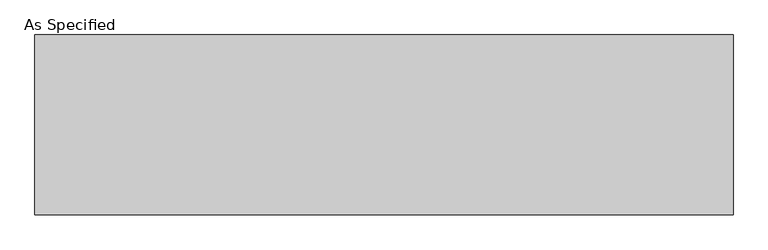
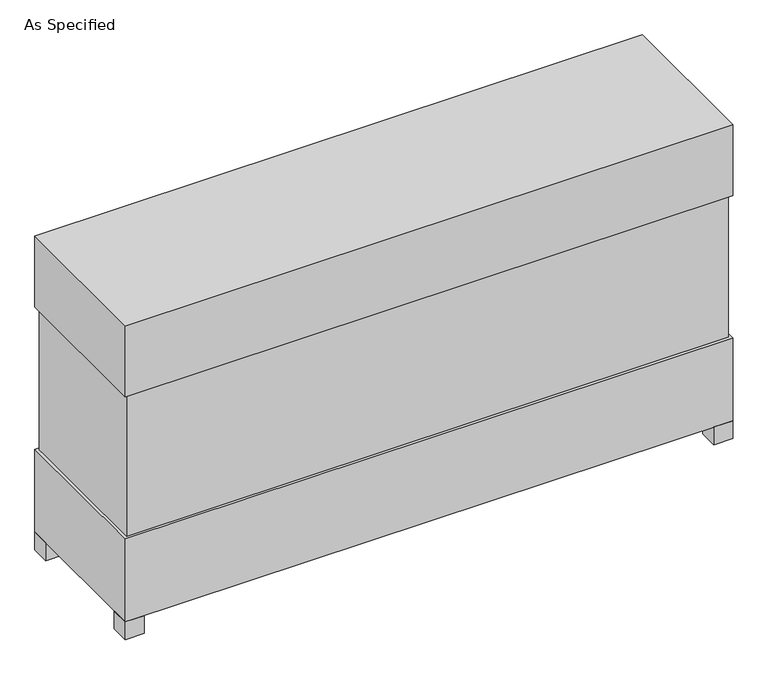
"""IFC4 building model written with IfcOpenShell, lengths in millimetres: proxy geometry, As Specified."""

from ifc_helpers import new_model, si_unit, frame, origin, origin_with_axes, place, context, project, spatial, polyline, outline, extrude, source, transform, mapped, element, save


def as_specified_b5e77e60(model_context):
    return source(origin(), model_context, "Body", "SweptSolid", [
        extrude(outline(polyline([(1220.7875, 306.3875), (1220.7875, -306.3875), (-1220.7875, -306.3875), (-1220.7875, 306.3875), (1220.7875, 306.3875)])), frame((0.0, 0.0, 431.8), z_axis=(0.0, 0.0, 1.0), x_axis=(1.0, 0.0, 0.0)), (0.0, 0.0, 1.0), 609.6),
        extrude(outline(polyline([(1231.9, 317.5), (1231.9, -317.5), (-1231.9, -317.5), (-1231.9, 317.5), (1231.9, 317.5)])), frame((0.0, 0.0, 1041.4), z_axis=(0.0, 0.0, 1.0), x_axis=(1.0, 0.0, 0.0)), (0.0, 0.0, 1.0), 304.8),
        extrude(outline(polyline([(1117.6, 228.6), (1117.6, 152.4), (1041.4, 152.4), (1041.4, 228.6), (1117.6, 228.6)])), frame((0.0, 0.0, 50.8), z_axis=(0.0, 0.0, 1.0), x_axis=(1.0, 0.0, 0.0)), (0.0, 0.0, 1.0), 25.4),
        extrude(outline(polyline([(1117.6, -228.6), (1041.4, -228.6), (1041.4, -152.4), (1117.6, -152.4), (1117.6, -228.6)])), frame((0.0, 0.0, 50.8), z_axis=(0.0, 0.0, 1.0), x_axis=(1.0, 0.0, 0.0)), (0.0, 0.0, 1.0), 25.4),
        extrude(outline(polyline([(-1155.7, 317.5), (-1155.7, 241.3), (-1231.9, 241.3), (-1231.9, 317.5), (-1155.7, 317.5)])), origin_with_axes(), (0.0, 0.0, 1.0), 76.2),
        extrude(outline(polyline([(1231.9, 317.5), (1231.9, 241.3), (1155.7, 241.3), (1155.7, 317.5), (1231.9, 317.5)])), origin_with_axes(), (0.0, 0.0, 1.0), 76.2),
        extrude(outline(polyline([(1231.9, -241.3), (1231.9, -317.5), (1155.7, -317.5), (1155.7, -241.3), (1231.9, -241.3)])), origin_with_axes(), (0.0, 0.0, 1.0), 76.2),
        extrude(outline(polyline([(-1155.7, -241.3), (-1155.7, -317.5), (-1231.9, -317.5), (-1231.9, -241.3), (-1155.7, -241.3)])), origin_with_axes(), (0.0, 0.0, 1.0), 76.2),
        extrude(outline(polyline([(1231.9, 317.5), (1231.9, -317.5), (-1231.9, -317.5), (-1231.9, 317.5), (1231.9, 317.5)])), frame((0.0, 0.0, 76.2), z_axis=(0.0, 0.0, 1.0), x_axis=(1.0, 0.0, 0.0)), (0.0, 0.0, 1.0), 355.6),
    ])


if __name__ == "__main__":
    model = new_model("IFC4")
    model_context = context("Model", 3, world=origin())
    ifc_project = project(units=[si_unit("LENGTHUNIT", "METRE", prefix="MILLI")], contexts=[model_context])
    site = spatial("IfcSite", under=ifc_project)
    building = spatial("IfcBuilding", under=site)
    placement = place(None, origin())
    as_specified_shape = as_specified_b5e77e60(model_context)
    element("IfcBuildingElementProxy", 1, Name="As Specified", ObjectType="As Specified", at=placement, inside=building, context=model_context, shape_type="MappedRepresentation", body=[
        mapped(as_specified_shape, transform((0.0, 0.0, 0.0), x_axis=(1.0, 0.0, 0.0), y_axis=(0.0, 1.0, 0.0), z_axis=(0.0, 0.0, 1.0))),
    ])
    save(model, "model.ifc")
